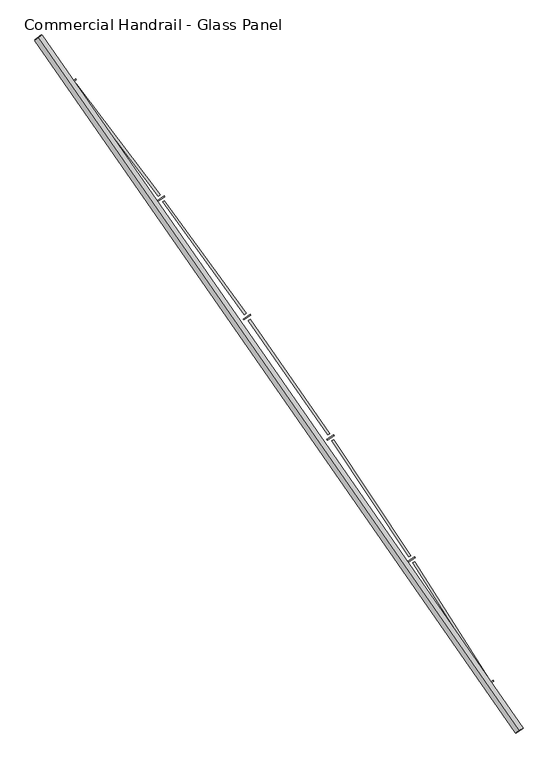
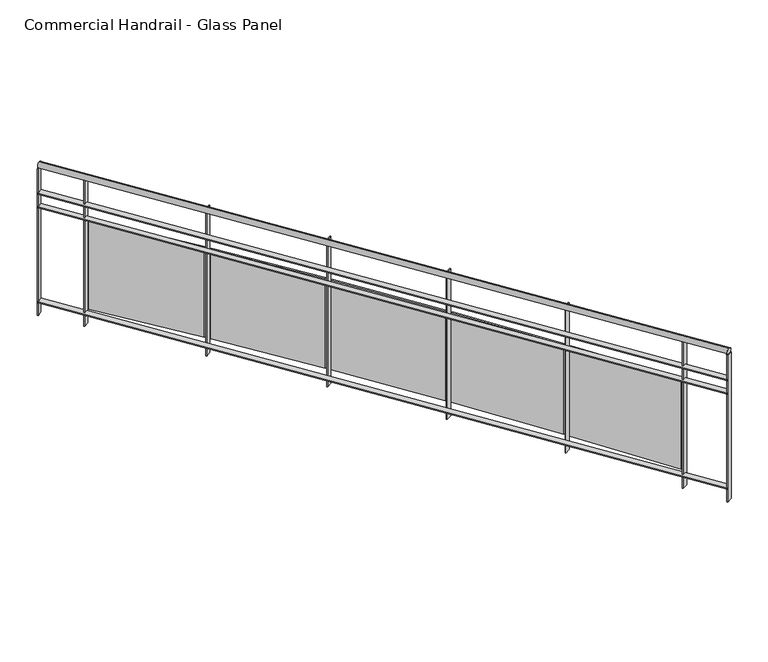
"""IFC4 building model written with IfcOpenShell, lengths in millimetres: railing geometry, Commercial Handrail - Glass Panel."""

from ifc_helpers import new_model, si_unit, point, frame, origin, place, context, project, spatial, polyline, circle_curve, ellipse_curve, trimmed, outline, extrude, source, transform, mapped, element, save
from ifc_brep_helpers import plane_surface, cylinder_surface, revolved_surface, advanced_brep


def commercial_handrail_glass_panel_a0656ceb(model_context):
    return source(origin(), model_context, "Body", "SolidModel", [
        advanced_brep(
        [(174947.1226561, -30258.7265853, 16282.5), (172321.2493354, -26475.2644148, 16282.5), (172321.2493354, -26475.2644148, 16317.5), (174947.1226561, -30258.7265853, 16317.5)],
        [
            (0, 1, circle_curve(frame((141591.4318743, -50605.9420988, 16282.5), z_axis=(0.0, 0.0, 1.0), x_axis=(0.7864946016239663, 0.6175971515610791, 0.0)), 39071.873345)),
            (1, 2, ellipse_curve(frame((172321.2493354, -26475.2644148, 16300.0), z_axis=(0.6175971515610744, -0.78649460162397, 0.0), x_axis=(-0.78649460162397, -0.6175971515610744, 0.0)), 25.0, 17.5)),
            (2, 3, circle_curve(frame((141591.4318743, -50605.9420988, 16317.5), z_axis=(0.0, 0.0, -1.0), x_axis=(0.7864946016239663, 0.6175971515610791, 0.0)), 39071.873345)),
            (3, 0, ellipse_curve(frame((174947.1226561, -30258.7265853, 16300.0), z_axis=(-0.5207637559080609, 0.8537008319853798, 0.0), x_axis=(-0.8537008319853798, -0.5207637559080609, 0.0)), 25.0, 17.5)),
            (2, 1, ellipse_curve(frame((172321.2493354, -26475.2644148, 16300.0), z_axis=(0.6175971515610744, -0.78649460162397, 0.0), x_axis=(-0.78649460162397, -0.6175971515610744, 0.0)), 25.0, 17.5)),
            (0, 3, ellipse_curve(frame((174947.1226561, -30258.7265853, 16300.0), z_axis=(-0.5207637559080609, 0.8537008319853798, 0.0), x_axis=(-0.8537008319853798, -0.5207637559080609, 0.0)), 25.0, 17.5)),
        ],
        [
            revolved_surface(trimmed(ellipse_curve(frame((172321.2493354, -26475.2644148, 16300.0), z_axis=(-0.6175971515610791, 0.7864946016239663, 0.0), x_axis=(0.0, 0.0, -1.0)), 17.5, 25.0), [point((172321.2493354, -26475.2644148, 16317.5))], [point((172321.2493354, -26475.2644148, 16282.5))], True, "CARTESIAN"), (141591.4318743, -50605.9420988, 16300.0), (0.0, 0.0, -1.0)),
            revolved_surface(trimmed(ellipse_curve(frame((172321.2493354, -26475.2644148, 16300.0), z_axis=(-0.6175971515610791, 0.7864946016239663, 0.0), x_axis=(0.0, 0.0, -1.0)), 17.5, 25.0), [point((172321.2493354, -26475.2644148, 16282.5))], [point((172321.2493354, -26475.2644148, 16317.5))], True, "CARTESIAN"), (141591.4318743, -50605.9420988, 16300.0), (0.0, 0.0, -1.0)),
            plane_surface(frame((172321.2493354, -26475.2644148, 16300.0), z_axis=(-0.6175971515610791, 0.7864946016239663, 0.0), x_axis=(0.7864946016239663, 0.6175971515610791, 0.0))),
            plane_surface(frame((174947.1226561, -30258.7265853, 16300.0), z_axis=(0.5207637559080605, -0.85370083198538, 0.0), x_axis=(0.85370083198538, 0.5207637559080605, 0.0))),
        ],
        [
            (0, [[1, 2, 3, 4]]),
            (1, [[-3, 5, -1, 6]]),
            (2, [[-2, -5]]),
            (3, [[-6, -4]]),
        ],
    ),
        advanced_brep(
        [(174966.3309248, -30247.0094008, 16100.0), (172338.945464, -26461.3684789, 16100.0), (172303.5532069, -26489.1603507, 16100.0), (174927.9143874, -30270.4437698, 16100.0), (174966.3309248, -30247.0094008, 16094.0), (172338.945464, -26461.3684789, 16094.0), (174927.9143874, -30270.4437698, 16094.0), (172303.5532069, -26489.1603507, 16094.0)],
        [
            (0, 1, circle_curve(frame((141591.4318743, -50605.9420988, 16100.0), z_axis=(0.0, 0.0, 1.0), x_axis=(0.7864946016239663, 0.6175971515610791, 0.0)), 39094.373345)),
            (1, 2),
            (2, 3, circle_curve(frame((141591.4318743, -50605.9420988, 16100.0), z_axis=(0.0, 0.0, -1.0), x_axis=(0.7864946016239663, 0.6175971515610791, 0.0)), 39049.373345)),
            (3, 0),
            (4, 5, circle_curve(frame((141591.4318743, -50605.9420988, 16094.0), z_axis=(0.0, 0.0, 1.0), x_axis=(0.7864946016239663, 0.6175971515610791, 0.0)), 39094.373345)),
            (5, 1),
            (0, 4),
            (6, 7, circle_curve(frame((141591.4318743, -50605.9420988, 16094.0), z_axis=(0.0, 0.0, 1.0), x_axis=(0.7864946016239663, 0.6175971515610791, 0.0)), 39049.373345)),
            (7, 5),
            (4, 6),
            (2, 7),
            (6, 3),
        ],
        [
            plane_surface(frame((141591.4318743, -50605.9420988, 16100.0), z_axis=(0.0, 0.0, 1.0), x_axis=(0.7864946016239663, 0.6175971515610791, 0.0))),
            cylinder_surface(frame((141591.4318743, -50605.9420988, 16100.0), z_axis=(0.0, 0.0, -1.0), x_axis=(0.7864946016239663, 0.6175971515610791, 0.0)), 39094.373345),
            plane_surface(frame((141591.4318743, -50605.9420988, 16094.0), z_axis=(0.0, 0.0, -1.0), x_axis=(0.7864946016239663, 0.6175971515610791, 0.0))),
            revolved_surface(polyline([(172303.55320694132, -26489.160350682872, 16094.0), (172303.55320694132, -26489.160350682872, 16100.0)]), (141591.4318743, -50605.9420988, 16100.0), (0.0, 0.0, -1.0)),
            plane_surface(frame((172321.2493354, -26475.2644148, 16100.0), z_axis=(-0.6175971515610791, 0.7864946016239663, 0.0), x_axis=(0.7864946016239663, 0.6175971515610791, 0.0))),
            plane_surface(frame((174947.1226561, -30258.7265853, 16100.0), z_axis=(0.5207637559080605, -0.85370083198538, 0.0), x_axis=(0.85370083198538, 0.5207637559080605, 0.0))),
        ],
        [
            (0, [[1, 2, 3, 4]]),
            (1, [[5, 6, -1, 7]]),
            (2, [[8, 9, -5, 10]]),
            (3, [[-3, 11, -8, 12]]),
            (4, [[-2, -6, -9, -11]]),
            (5, [[-12, -10, -7, -4]]),
        ],
    ),
        advanced_brep(
        [(174966.3309248, -30247.0094008, 16000.0), (172338.945464, -26461.3684789, 16000.0), (172303.5532069, -26489.1603507, 16000.0), (174927.9143874, -30270.4437698, 16000.0), (174966.3309248, -30247.0094008, 15994.0), (172338.945464, -26461.3684789, 15994.0), (174927.9143874, -30270.4437698, 15994.0), (172303.5532069, -26489.1603507, 15994.0)],
        [
            (0, 1, circle_curve(frame((141591.4318743, -50605.9420988, 16000.0), z_axis=(0.0, 0.0, 1.0), x_axis=(0.7864946016239663, 0.6175971515610791, 0.0)), 39094.373345)),
            (1, 2),
            (2, 3, circle_curve(frame((141591.4318743, -50605.9420988, 16000.0), z_axis=(0.0, 0.0, -1.0), x_axis=(0.7864946016239663, 0.6175971515610791, 0.0)), 39049.373345)),
            (3, 0),
            (4, 5, circle_curve(frame((141591.4318743, -50605.9420988, 15994.0), z_axis=(0.0, 0.0, 1.0), x_axis=(0.7864946016239663, 0.6175971515610791, 0.0)), 39094.373345)),
            (5, 1),
            (0, 4),
            (6, 7, circle_curve(frame((141591.4318743, -50605.9420988, 15994.0), z_axis=(0.0, 0.0, 1.0), x_axis=(0.7864946016239663, 0.6175971515610791, 0.0)), 39049.373345)),
            (7, 5),
            (4, 6),
            (2, 7),
            (6, 3),
        ],
        [
            plane_surface(frame((141591.4318743, -50605.9420988, 16000.0), z_axis=(0.0, 0.0, 1.0), x_axis=(0.7864946016239663, 0.6175971515610791, 0.0))),
            cylinder_surface(frame((141591.4318743, -50605.9420988, 16000.0), z_axis=(0.0, 0.0, -1.0), x_axis=(0.7864946016239663, 0.6175971515610791, 0.0)), 39094.373345),
            plane_surface(frame((141591.4318743, -50605.9420988, 15994.0), z_axis=(0.0, 0.0, -1.0), x_axis=(0.7864946016239663, 0.6175971515610791, 0.0))),
            revolved_surface(polyline([(172303.55320694132, -26489.160350682872, 15994.0), (172303.55320694132, -26489.160350682872, 16000.0)]), (141591.4318743, -50605.9420988, 16000.0), (0.0, 0.0, -1.0)),
            plane_surface(frame((172321.2493354, -26475.2644148, 16000.0), z_axis=(-0.6175971515610791, 0.7864946016239663, 0.0), x_axis=(0.7864946016239663, 0.6175971515610791, 0.0))),
            plane_surface(frame((174947.1226561, -30258.7265853, 16000.0), z_axis=(0.5207637559080605, -0.85370083198538, 0.0), x_axis=(0.85370083198538, 0.5207637559080605, 0.0))),
        ],
        [
            (0, [[1, 2, 3, 4]]),
            (1, [[5, 6, -1, 7]]),
            (2, [[8, 9, -5, 10]]),
            (3, [[-3, 11, -8, 12]]),
            (4, [[-2, -6, -9, -11]]),
            (5, [[-12, -10, -7, -4]]),
        ],
    ),
        advanced_brep(
        [(174966.3309248, -30247.0094008, 15300.0), (172338.945464, -26461.3684789, 15300.0), (172303.5532069, -26489.1603507, 15300.0), (174927.9143874, -30270.4437698, 15300.0), (174966.3309248, -30247.0094008, 15294.0), (172338.945464, -26461.3684789, 15294.0), (174927.9143874, -30270.4437698, 15294.0), (172303.5532069, -26489.1603507, 15294.0)],
        [
            (0, 1, circle_curve(frame((141591.4318743, -50605.9420988, 15300.0), z_axis=(0.0, 0.0, 1.0), x_axis=(0.7864946016239663, 0.6175971515610791, 0.0)), 39094.373345)),
            (1, 2),
            (2, 3, circle_curve(frame((141591.4318743, -50605.9420988, 15300.0), z_axis=(0.0, 0.0, -1.0), x_axis=(0.7864946016239663, 0.6175971515610791, 0.0)), 39049.373345)),
            (3, 0),
            (4, 5, circle_curve(frame((141591.4318743, -50605.9420988, 15294.0), z_axis=(0.0, 0.0, 1.0), x_axis=(0.7864946016239663, 0.6175971515610791, 0.0)), 39094.373345)),
            (5, 1),
            (0, 4),
            (6, 7, circle_curve(frame((141591.4318743, -50605.9420988, 15294.0), z_axis=(0.0, 0.0, 1.0), x_axis=(0.7864946016239663, 0.6175971515610791, 0.0)), 39049.373345)),
            (7, 5),
            (4, 6),
            (2, 7),
            (6, 3),
        ],
        [
            plane_surface(frame((141591.4318743, -50605.9420988, 15300.0), z_axis=(0.0, 0.0, 1.0), x_axis=(0.7864946016239663, 0.6175971515610791, 0.0))),
            cylinder_surface(frame((141591.4318743, -50605.9420988, 15300.0), z_axis=(0.0, 0.0, -1.0), x_axis=(0.7864946016239663, 0.6175971515610791, 0.0)), 39094.373345),
            plane_surface(frame((141591.4318743, -50605.9420988, 15294.0), z_axis=(0.0, 0.0, -1.0), x_axis=(0.7864946016239663, 0.6175971515610791, 0.0))),
            revolved_surface(polyline([(172303.55320694132, -26489.160350682872, 15294.0), (172303.55320694132, -26489.160350682872, 15300.0)]), (141591.4318743, -50605.9420988, 15300.0), (0.0, 0.0, -1.0)),
            plane_surface(frame((172321.2493354, -26475.2644148, 15300.0), z_axis=(-0.6175971515610791, 0.7864946016239663, 0.0), x_axis=(0.7864946016239663, 0.6175971515610791, 0.0))),
            plane_surface(frame((174947.1226561, -30258.7265853, 15300.0), z_axis=(0.5207637559080605, -0.85370083198538, 0.0), x_axis=(0.85370083198538, 0.5207637559080605, 0.0))),
        ],
        [
            (0, [[1, 2, 3, 4]]),
            (1, [[5, 6, -1, 7]]),
            (2, [[8, 9, -5, 10]]),
            (3, [[-3, 11, -8, 12]]),
            (4, [[-2, -6, -9, -11]]),
            (5, [[-12, -10, -7, -4]]),
        ],
    ),
        extrude(outline(polyline([(174767.0827529, -30009.1035934), (174805.3157733, -29985.3709966), (174808.4801195, -29990.4687326), (174770.2470991, -30014.2013295), (174767.0827529, -30009.1035934)])), frame((0.0, 0.0, 15200.0), z_axis=(0.0, 0.0, 1.0), x_axis=(1.0, 0.0, 0.0)), (0.0, 0.0, 1.0), 1082.1192282),
        extrude(outline(polyline([(174376.4508905, -29337.0184477), (174783.8574789, -29978.5945319), (174773.7273302, -29985.0272675), (174366.3207418, -29343.4511834), (174376.4508905, -29337.0184477)])), frame((0.0, 0.0, 15320.0), z_axis=(0.0, 0.0, 1.0), x_axis=(1.0, 0.0, 0.0)), (0.0, 0.0, 1.0), 660.0),
        extrude(outline(polyline([(174338.4363039, -29334.1939685), (174376.1754174, -29309.6835764), (174379.4434696, -29314.7154582), (174341.7043562, -29339.2258503), (174338.4363039, -29334.1939685)])), frame((0.0, 0.0, 15200.0), z_axis=(0.0, 0.0, 1.0), x_axis=(1.0, 0.0, 0.0)), (0.0, 0.0, 1.0), 1082.1192282),
        extrude(outline(polyline([(173934.1262806, -28670.2473592), (174354.5828818, -29303.3478619), (174344.5865581, -29309.9866503), (173924.1299568, -28676.8861476), (173934.1262806, -28670.2473592)])), frame((0.0, 0.0, 15320.0), z_axis=(0.0, 0.0, 1.0), x_axis=(1.0, 0.0, 0.0)), (0.0, 0.0, 1.0), 660.0),
        extrude(outline(polyline([(173896.0618347, -28668.2017695), (173933.2912204, -28642.9238574), (173936.6616087, -28647.8877755), (173899.432223, -28673.1656876), (173896.0618347, -28668.2017695)])), frame((0.0, 0.0, 15200.0), z_axis=(0.0, 0.0, 1.0), x_axis=(1.0, 0.0, 0.0)), (0.0, 0.0, 1.0), 1082.1192282),
        extrude(outline(polyline([(173478.243143, -28012.6720327), (173911.5734956, -28637.031549), (173901.7151874, -28643.8736072), (173468.3848349, -28019.5140909), (173478.243143, -28012.6720327)])), frame((0.0, 0.0, 15320.0), z_axis=(0.0, 0.0, 1.0), x_axis=(1.0, 0.0, 0.0)), (0.0, 0.0, 1.0), 660.0),
        extrude(outline(polyline([(173440.1447951, -28011.4061902), (173476.848846, -27985.3713549), (173480.3201573, -27990.2652284), (173443.6161065, -28016.3000637), (173440.1447951, -28011.4061902)])), frame((0.0, 0.0, 15200.0), z_axis=(0.0, 0.0, 1.0), x_axis=(1.0, 0.0, 0.0)), (0.0, 0.0, 1.0), 1082.1192282),
        extrude(outline(polyline([(173008.9925907, -27364.5681335), (173455.0150362, -27979.9249228), (173445.2988764, -27986.9673824), (172999.2764309, -27371.6105932), (173008.9925907, -27364.5681335)])), frame((0.0, 0.0, 15320.0), z_axis=(0.0, 0.0, 1.0), x_axis=(1.0, 0.0, 0.0)), (0.0, 0.0, 1.0), 660.0),
        extrude(outline(polyline([(172970.876312, -27364.0825688), (173007.0396412, -27337.3017244), (173010.6104205, -27342.1235017), (172974.4470913, -27368.904346), (172970.876312, -27364.0825688)])), frame((0.0, 0.0, 15200.0), z_axis=(0.0, 0.0, 1.0), x_axis=(1.0, 0.0, 0.0)), (0.0, 0.0, 1.0), 1082.1192282),
        extrude(outline(polyline([(172526.5713403, -26726.207356), (172985.0988996, -27332.3034518), (172975.5289613, -27339.5433607), (172517.0014019, -26733.4472649), (172526.5713403, -26726.207356)])), frame((0.0, 0.0, 15320.0), z_axis=(0.0, 0.0, 1.0), x_axis=(1.0, 0.0, 0.0)), (0.0, 0.0, 1.0), 660.0),
        extrude(outline(polyline([(172488.4531098, -26726.5022727), (172524.0605571, -26698.9866462), (172527.7293072, -26703.7343059), (172492.12186, -26731.2499323), (172488.4531098, -26726.5022727)])), frame((0.0, 0.0, 15200.0), z_axis=(0.0, 0.0, 1.0), x_axis=(1.0, 0.0, 0.0)), (0.0, 0.0, 1.0), 1082.1192282),
        extrude(outline(polyline([(174926.3520961, -30267.8826673), (174964.7686336, -30244.4482983), (174967.8932161, -30249.5705033), (174929.4766787, -30273.0048723), (174926.3520961, -30267.8826673)])), frame((0.0, 0.0, 15200.0), z_axis=(0.0, 0.0, 1.0), x_axis=(1.0, 0.0, 0.0)), (0.0, 0.0, 1.0), 1082.1192282),
        extrude(outline(polyline([(172301.7004154, -26486.8008669), (172337.0926725, -26459.0089951), (172340.7982554, -26463.7279627), (172305.4059984, -26491.5198345), (172301.7004154, -26486.8008669)])), frame((0.0, 0.0, 15200.0), z_axis=(0.0, 0.0, 1.0), x_axis=(1.0, 0.0, 0.0)), (0.0, 0.0, 1.0), 1082.1192282),
    ])


if __name__ == "__main__":
    model = new_model("IFC4")
    model_context = context("Model", 3, world=origin())
    ifc_project = project(units=[si_unit("LENGTHUNIT", "METRE", prefix="MILLI")], contexts=[model_context])
    site = spatial("IfcSite", under=ifc_project)
    building = spatial("IfcBuilding", under=site)
    placement = place(None, origin())
    commercial_handrail_glass_panel_shape = commercial_handrail_glass_panel_a0656ceb(model_context)
    element("IfcRailing", 1, ObjectType="Commercial Handrail - Glass Panel", at=placement, inside=building, context=model_context, shape_type="MappedRepresentation", body=[
        mapped(commercial_handrail_glass_panel_shape, transform((0.0, 0.0, 0.0), x_axis=(1.0, 0.0, 0.0), y_axis=(0.0, 1.0, 0.0), z_axis=(0.0, 0.0, 1.0))),
    ])
    save(model, "model.ifc")
